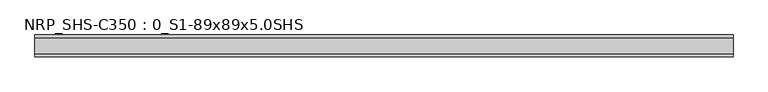
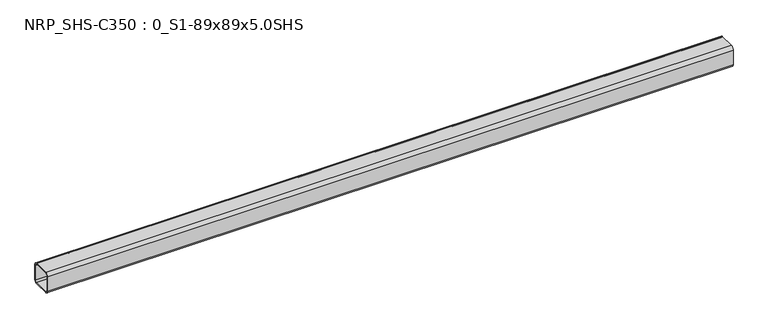
"""IFC4 building model written with IfcOpenShell, lengths in millimetres: beam geometry, NRP_SHS-C350 : 0_S1-89x89x5.0SHS."""

from ifc_helpers import new_model, si_unit, point, frame, frame_2d, origin, place, context, project, spatial, polyline, circle_curve, trimmed, segment, composite_curve, outline, extrude, source, transform, mapped, element, save


def nrp_shs_c350_0_s1_89x89x5_0shs_9a74c4f5(model_context):
    return source(origin(), model_context, "Body", "SweptSolid", [
        extrude(outline(composite_curve([segment(polyline([(44.5, 32.0), (44.5, -32.0)]), True, "CONTINUOUS"), segment(trimmed(circle_curve(frame_2d((32.0, -32.0)), 12.5), [point((44.5, -32.0))], [point((32.0, -44.5))], False, "CARTESIAN"), True, "CONTINUOUS"), segment(polyline([(32.0, -44.5), (-32.0, -44.5)]), True, "CONTINUOUS"), segment(trimmed(circle_curve(frame_2d((-32.0, -32.0)), 12.5), [point((-32.0, -44.5))], [point((-44.5, -32.0))], False, "CARTESIAN"), True, "CONTINUOUS"), segment(polyline([(-44.5, -32.0), (-44.5, 32.0)]), True, "CONTINUOUS"), segment(trimmed(circle_curve(frame_2d((-32.0, 32.0)), 12.5), [point((-44.5, 32.0))], [point((-32.0, 44.5))], False, "CARTESIAN"), True, "CONTINUOUS"), segment(polyline([(-32.0, 44.5), (32.0, 44.5)]), True, "CONTINUOUS"), segment(trimmed(circle_curve(frame_2d((32.0, 32.0)), 12.5), [point((32.0, 44.5))], [point((44.5, 32.0))], False, "CARTESIAN"), True, "CONTINUOUS")], self_intersect=False), holes=[composite_curve([segment(trimmed(circle_curve(frame_2d((-32.0, 32.0)), 7.5), [point((-32.0, 39.5))], [point((-39.5, 32.0))], True, "CARTESIAN"), True, "CONTINUOUS"), segment(polyline([(-39.5, 32.0), (-39.5, -32.0)]), True, "CONTINUOUS"), segment(trimmed(circle_curve(frame_2d((-32.0, -32.0)), 7.5), [point((-39.5, -32.0))], [point((-32.0, -39.5))], True, "CARTESIAN"), True, "CONTINUOUS"), segment(polyline([(-32.0, -39.5), (32.0, -39.5)]), True, "CONTINUOUS"), segment(trimmed(circle_curve(frame_2d((32.0, -32.0)), 7.5), [point((32.0, -39.5))], [point((39.5, -32.0))], True, "CARTESIAN"), True, "CONTINUOUS"), segment(polyline([(39.5, -32.0), (39.5, 32.0)]), True, "CONTINUOUS"), segment(trimmed(circle_curve(frame_2d((32.0, 32.0)), 7.5), [point((39.5, 32.0))], [point((32.0, 39.5))], True, "CARTESIAN"), True, "CONTINUOUS"), segment(polyline([(32.0, 39.5), (-32.0, 39.5)]), True, "CONTINUOUS")], self_intersect=False)]), frame((-1426.0, 0.0, 0.0), z_axis=(1.0, 0.0, 0.0), x_axis=(0.0, 1.0, 0.0)), (0.0, 0.0, 1.0), 2849.0),
    ])


if __name__ == "__main__":
    model = new_model("IFC4")
    model_context = context("Model", 3, world=origin())
    ifc_project = project(units=[si_unit("LENGTHUNIT", "METRE", prefix="MILLI")], contexts=[model_context])
    site = spatial("IfcSite", under=ifc_project)
    building = spatial("IfcBuilding", under=site)
    placement = place(None, origin())
    nrp_shs_c350_0_s1_89x89x5_0shs_shape = nrp_shs_c350_0_s1_89x89x5_0shs_9a74c4f5(model_context)
    element("IfcBeam", 1, ObjectType="NRP_SHS-C350 : 0_S1-89x89x5.0SHS", at=placement, inside=building, context=model_context, shape_type="MappedRepresentation", body=[
        mapped(nrp_shs_c350_0_s1_89x89x5_0shs_shape, transform((0.0, 0.0, 0.0), x_axis=(1.0, 0.0, 0.0), y_axis=(0.0, 1.0, 0.0), z_axis=(0.0, 0.0, 1.0))),
    ])
    save(model, "model.ifc")
